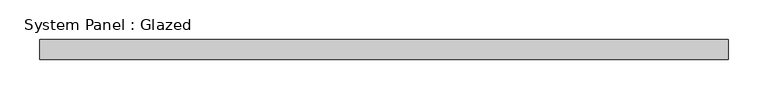
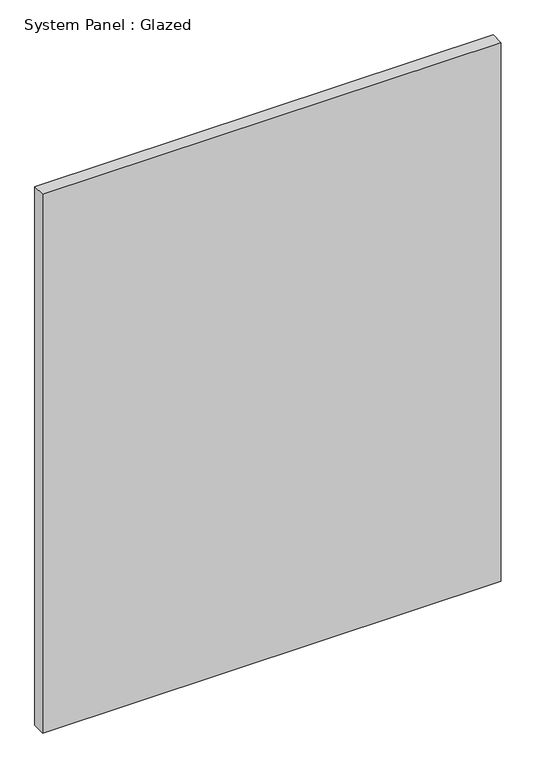
"""IFC4 building model written with IfcOpenShell, lengths in millimetres: plate geometry, System Panel : Glazed."""

import ifcopenshell
import ifcopenshell.guid

model = None  # the IFC model being written
_history = None  # IfcOwnerHistory: only IFC2X3 demands one
_inside = {}  # id of a spatial element -> (the spatial element, [elements in it])
_under = {}  # id of a project, library or spatial element -> (it, [spatial elements below it])
_declared = {}  # id of a project -> (the project, [libraries it declares])
_typed = {}  # id of a type object -> (the type object, [elements of that type])
_made_of = {}  # id of a material, layer set ... -> (it, [elements and type objects made of it])


def new_model(schema):
    """Start an empty IFC model of exactly this schema.

    Asked for "IFC4X3", IfcOpenShell would pick the latest addendum, in which some entities
    have other attributes; the version numbers below select the first issue.
    IFC2X3 requires an IfcOwnerHistory on every rooted entity: one is made here for all.
    """
    global model, _history
    if schema == "IFC4X3":
        model = ifcopenshell.file(schema_version=(4, 3, 0, 0))
    else:
        model = ifcopenshell.file(schema=schema)
    _inside.clear()
    _under.clear()
    _declared.clear()
    _typed.clear()
    _made_of.clear()
    _history = None
    if model.schema == "IFC2X3":
        org = make("IfcOrganization", Name="unknown")
        user = make(
            "IfcPersonAndOrganization",
            ThePerson=make("IfcPerson", FamilyName="unknown"),
            TheOrganization=org,
        )
        app = make(
            "IfcApplication",
            ApplicationDeveloper=org,
            Version="unknown",
            ApplicationFullName="unknown",
            ApplicationIdentifier="unknown",
        )
        _history = make(
            "IfcOwnerHistory",
            OwningUser=user,
            OwningApplication=app,
            ChangeAction="ADDED",
            CreationDate=0,
        )
    return model


def make(cls, **values):
    """One entity of the class cls with the attributes given. An attribute that is None is left unset."""
    return model.create_entity(
        cls, **{name: value for name, value in values.items() if value is not None}
    )


def rooted(cls, **values):
    """An entity with a GlobalId (a new one), such as an element, a storey or a relation."""
    return make(cls, GlobalId=ifcopenshell.guid.new(), OwnerHistory=_history, **values)


def si_unit(unit_type, name, prefix=None):
    """IfcSIUnit, for example si_unit("LENGTHUNIT", "METRE", prefix="MILLI")."""
    return make("IfcSIUnit", UnitType=unit_type, Prefix=prefix, Name=name)


def assignment(units):
    """IfcUnitAssignment: the units of a project."""
    return None if units is None else make("IfcUnitAssignment", Units=units)


def point(xyz):
    """IfcCartesianPoint."""
    return None if xyz is None else make("IfcCartesianPoint", Coordinates=xyz)


def direction(xyz):
    """IfcDirection."""
    return None if xyz is None else make("IfcDirection", DirectionRatios=xyz)


def frame(location, z_axis=None, x_axis=None):
    """IfcAxis2Placement3D, a coordinate frame: its origin and axes. An axis left out is left unset."""
    return make(
        "IfcAxis2Placement3D",
        Location=point(location),
        Axis=direction(z_axis),
        RefDirection=direction(x_axis),
    )


def origin():
    """The frame at (0, 0, 0) with its axes left unset."""
    return frame((0.0, 0.0, 0.0))


def origin_with_axes():
    """The frame at (0, 0, 0) with the z axis (0, 0, 1) and the x axis (1, 0, 0) written out."""
    return frame((0.0, 0.0, 0.0), z_axis=(0.0, 0.0, 1.0), x_axis=(1.0, 0.0, 0.0))


def place(relative_to, where):
    """IfcLocalPlacement: puts the frame where relative to a parent placement (None: the world)."""
    return make(
        "IfcLocalPlacement", PlacementRelTo=relative_to, RelativePlacement=where
    )


def context(
    kind, dimensions, precision=None, world=None, true_north=None, identifier=None
):
    """IfcGeometricRepresentationContext, for example the 3D "Model" context."""
    return make(
        "IfcGeometricRepresentationContext",
        ContextIdentifier=identifier,
        ContextType=kind,
        CoordinateSpaceDimension=dimensions,
        Precision=precision,
        WorldCoordinateSystem=world,
        TrueNorth=true_north,
    )


def project(units=None, contexts=None):
    """IfcProject with its units and contexts."""
    return rooted(
        "IfcProject",
        Name="project",
        RepresentationContexts=contexts,
        UnitsInContext=assignment(units),
    )


def spatial(cls, under=None, at=None, **own):
    """A site, building, storey or space (cls), placed at a placement, below another one or the project."""
    s = rooted(cls, ObjectPlacement=at, **own)
    if under is not None:
        _under.setdefault(under.id(), (under, []))[1].append(s)
    return s


def polyline(points):
    """IfcPolyline through the points."""
    return make("IfcPolyline", Points=[point(p) for p in points])


def outline(outer, holes=None, kind="AREA"):
    """IfcArbitraryClosedProfileDef: a profile drawn as a closed curve; with holes, ...WithVoids."""
    if holes is None:
        return make("IfcArbitraryClosedProfileDef", ProfileType=kind, OuterCurve=outer)
    return make(
        "IfcArbitraryProfileDefWithVoids",
        ProfileType=kind,
        OuterCurve=outer,
        InnerCurves=holes,
    )


def extrude(swept, where, along, depth):
    """IfcExtrudedAreaSolid: the profile swept, set in the frame where, extruded along a direction by depth."""
    return make(
        "IfcExtrudedAreaSolid",
        SweptArea=swept,
        Position=where,
        ExtrudedDirection=direction(along),
        Depth=depth,
    )


def shape(context_of_items, identifier, shape_type, items):
    """IfcShapeRepresentation: the items that make up one representation, for example the "Body"."""
    return make(
        "IfcShapeRepresentation",
        ContextOfItems=context_of_items,
        RepresentationIdentifier=identifier,
        RepresentationType=shape_type,
        Items=items,
    )


def source(mapping_origin, context_of_items, identifier, shape_type, items):
    """IfcRepresentationMap: a shape defined once, which mapped items show again and again."""
    return make(
        "IfcRepresentationMap",
        MappingOrigin=mapping_origin,
        MappedRepresentation=shape(context_of_items, identifier, shape_type, items),
    )


def transform(
    local_origin,
    x_axis=None,
    y_axis=None,
    z_axis=None,
    scale=None,
    scale2=None,
    scale3=None,
    uniform=True,
):
    """IfcCartesianTransformationOperator3D, or its non-uniform kind. x_axis, y_axis, z_axis: its Axis1, 2, 3."""
    if uniform:
        return make(
            "IfcCartesianTransformationOperator3D",
            Axis1=direction(x_axis),
            Axis2=direction(y_axis),
            LocalOrigin=point(local_origin),
            Scale=scale,
            Axis3=direction(z_axis),
        )
    return make(
        "IfcCartesianTransformationOperator3DnonUniform",
        Axis1=direction(x_axis),
        Axis2=direction(y_axis),
        LocalOrigin=point(local_origin),
        Scale=scale,
        Axis3=direction(z_axis),
        Scale2=scale2,
        Scale3=scale3,
    )


def mapped(mapping_source, mapping_target):
    """IfcMappedItem: shows the shape of a source again, moved by a transform."""
    return make(
        "IfcMappedItem", MappingSource=mapping_source, MappingTarget=mapping_target
    )


def made_of(thing, what):
    """Note that an element or type object is made of a material, layer set ...; save() writes the relation."""
    if what is not None:
        _made_of.setdefault(what.id(), (what, []))[1].append(thing)
    return thing


def element(
    cls,
    number,
    at=None,
    inside=None,
    cuts=None,
    type_object=None,
    material=None,
    context=None,
    identifier="Body",
    shape_type=None,
    held_by="IfcProductDefinitionShape",
    body=None,
    shapes=None,
    **own,
):
    """One element of the class cls, such as IfcWall. Its Tag is "e" and its number.

    at: its placement. inside: the storey or other place that contains it. cuts: it is an
    opening in that element (IfcRelVoidsElement). A single representation is given by context,
    identifier, shape_type and body (its items); several are given by shapes. held_by: the class
    of the entity that holds the representations. save() writes the other relations.
    """
    e = rooted(cls, Tag="e%d" % number, ObjectPlacement=at, **own)
    if body is not None:
        shapes = [shape(context, identifier, shape_type, body)]
    if shapes is not None:
        e.Representation = make(held_by, Representations=shapes)
    if inside is not None:
        _inside.setdefault(inside.id(), (inside, []))[1].append(e)
    if cuts is not None:
        rooted(
            "IfcRelVoidsElement", RelatingBuildingElement=cuts, RelatedOpeningElement=e
        )
    if type_object is not None:
        _typed.setdefault(type_object.id(), (type_object, []))[1].append(e)
    return made_of(e, material)


def aggregate(whole, parts):
    """IfcRelAggregates: a whole, such as a stair, and the parts it consists of."""
    return rooted("IfcRelAggregates", RelatingObject=whole, RelatedObjects=parts)


def save(model, path):
    """Write the relations noted so far, then the file.

    IfcRelAggregates (storeys below a building ...), IfcRelContainedInSpatialStructure (elements
    in a storey), IfcRelDefinesByType, IfcRelAssociatesMaterial and IfcRelDeclares: one each for
    every whole, place, type object, material and project.
    """
    for whole, parts in _under.values():
        aggregate(whole, parts)
    for where, things in _inside.values():
        rooted(
            "IfcRelContainedInSpatialStructure",
            RelatedElements=things,
            RelatingStructure=where,
        )
    for kind, things in _typed.values():
        rooted("IfcRelDefinesByType", RelatedObjects=things, RelatingType=kind)
    for what, things in _made_of.values():
        rooted("IfcRelAssociatesMaterial", RelatedObjects=things, RelatingMaterial=what)
    for by, libraries in _declared.values():
        rooted("IfcRelDeclares", RelatingContext=by, RelatedDefinitions=libraries)
    model.write(path)


def system_panel_glazed_453450f7(model_context):
    return source(origin(), model_context, "Body", "SweptSolid", [
        extrude(outline(polyline([(434.975, -12.7), (-434.975, -12.7), (-434.975, 12.7), (434.975, 12.7), (434.975, -12.7)])), origin_with_axes(), (0.0, 0.0, 1.0), 1080.0),
    ])


if __name__ == "__main__":
    model = new_model("IFC4")
    model_context = context("Model", 3, world=origin())
    ifc_project = project(units=[si_unit("LENGTHUNIT", "METRE", prefix="MILLI")], contexts=[model_context])
    site = spatial("IfcSite", under=ifc_project)
    building = spatial("IfcBuilding", under=site)
    placement = place(None, origin())
    system_panel_glazed_shape = system_panel_glazed_453450f7(model_context)
    element("IfcPlate", 1, ObjectType="System Panel : Glazed", at=placement, inside=building, context=model_context, shape_type="MappedRepresentation", body=[
        mapped(system_panel_glazed_shape, transform((0.0, 0.0, 0.0), x_axis=(1.0, 0.0, 0.0), y_axis=(0.0, 1.0, 0.0), z_axis=(0.0, 0.0, 1.0))),
    ])
    save(model, "model.ifc")
